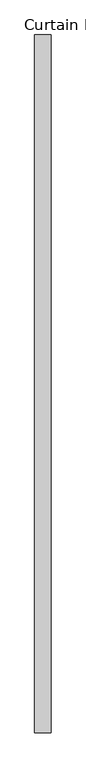
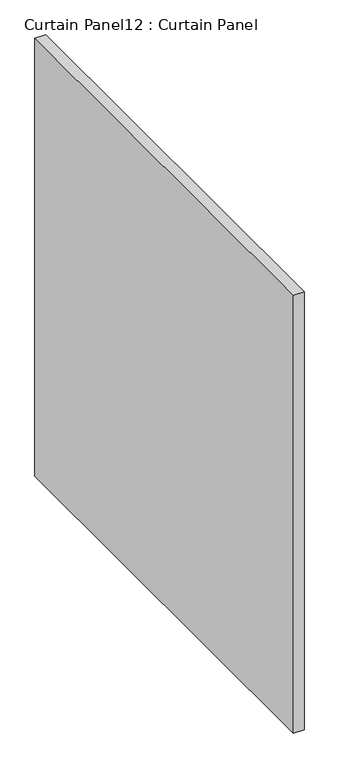
"""IFC4 building model written with IfcOpenShell, lengths in millimetres: plate geometry, Curtain Panel12 : Curtain Panel."""

import ifcopenshell
import ifcopenshell.guid

model = None  # the IFC model being written
_history = None  # IfcOwnerHistory: only IFC2X3 demands one
_inside = {}  # id of a spatial element -> (the spatial element, [elements in it])
_under = {}  # id of a project, library or spatial element -> (it, [spatial elements below it])
_declared = {}  # id of a project -> (the project, [libraries it declares])
_typed = {}  # id of a type object -> (the type object, [elements of that type])
_made_of = {}  # id of a material, layer set ... -> (it, [elements and type objects made of it])


def new_model(schema):
    """Start an empty IFC model of exactly this schema.

    Asked for "IFC4X3", IfcOpenShell would pick the latest addendum, in which some entities
    have other attributes; the version numbers below select the first issue.
    IFC2X3 requires an IfcOwnerHistory on every rooted entity: one is made here for all.
    """
    global model, _history
    if schema == "IFC4X3":
        model = ifcopenshell.file(schema_version=(4, 3, 0, 0))
    else:
        model = ifcopenshell.file(schema=schema)
    _inside.clear()
    _under.clear()
    _declared.clear()
    _typed.clear()
    _made_of.clear()
    _history = None
    if model.schema == "IFC2X3":
        org = make("IfcOrganization", Name="unknown")
        user = make(
            "IfcPersonAndOrganization",
            ThePerson=make("IfcPerson", FamilyName="unknown"),
            TheOrganization=org,
        )
        app = make(
            "IfcApplication",
            ApplicationDeveloper=org,
            Version="unknown",
            ApplicationFullName="unknown",
            ApplicationIdentifier="unknown",
        )
        _history = make(
            "IfcOwnerHistory",
            OwningUser=user,
            OwningApplication=app,
            ChangeAction="ADDED",
            CreationDate=0,
        )
    return model


def make(cls, **values):
    """One entity of the class cls with the attributes given. An attribute that is None is left unset."""
    return model.create_entity(
        cls, **{name: value for name, value in values.items() if value is not None}
    )


def rooted(cls, **values):
    """An entity with a GlobalId (a new one), such as an element, a storey or a relation."""
    return make(cls, GlobalId=ifcopenshell.guid.new(), OwnerHistory=_history, **values)


def si_unit(unit_type, name, prefix=None):
    """IfcSIUnit, for example si_unit("LENGTHUNIT", "METRE", prefix="MILLI")."""
    return make("IfcSIUnit", UnitType=unit_type, Prefix=prefix, Name=name)


def assignment(units):
    """IfcUnitAssignment: the units of a project."""
    return None if units is None else make("IfcUnitAssignment", Units=units)


def point(xyz):
    """IfcCartesianPoint."""
    return None if xyz is None else make("IfcCartesianPoint", Coordinates=xyz)


def direction(xyz):
    """IfcDirection."""
    return None if xyz is None else make("IfcDirection", DirectionRatios=xyz)


def frame(location, z_axis=None, x_axis=None):
    """IfcAxis2Placement3D, a coordinate frame: its origin and axes. An axis left out is left unset."""
    return make(
        "IfcAxis2Placement3D",
        Location=point(location),
        Axis=direction(z_axis),
        RefDirection=direction(x_axis),
    )


def origin():
    """The frame at (0, 0, 0) with its axes left unset."""
    return frame((0.0, 0.0, 0.0))


def place(relative_to, where):
    """IfcLocalPlacement: puts the frame where relative to a parent placement (None: the world)."""
    return make(
        "IfcLocalPlacement", PlacementRelTo=relative_to, RelativePlacement=where
    )


def context(
    kind, dimensions, precision=None, world=None, true_north=None, identifier=None
):
    """IfcGeometricRepresentationContext, for example the 3D "Model" context."""
    return make(
        "IfcGeometricRepresentationContext",
        ContextIdentifier=identifier,
        ContextType=kind,
        CoordinateSpaceDimension=dimensions,
        Precision=precision,
        WorldCoordinateSystem=world,
        TrueNorth=true_north,
    )


def project(units=None, contexts=None):
    """IfcProject with its units and contexts."""
    return rooted(
        "IfcProject",
        Name="project",
        RepresentationContexts=contexts,
        UnitsInContext=assignment(units),
    )


def spatial(cls, under=None, at=None, **own):
    """A site, building, storey or space (cls), placed at a placement, below another one or the project."""
    s = rooted(cls, ObjectPlacement=at, **own)
    if under is not None:
        _under.setdefault(under.id(), (under, []))[1].append(s)
    return s


def polyline(points):
    """IfcPolyline through the points."""
    return make("IfcPolyline", Points=[point(p) for p in points])


def outline(outer, holes=None, kind="AREA"):
    """IfcArbitraryClosedProfileDef: a profile drawn as a closed curve; with holes, ...WithVoids."""
    if holes is None:
        return make("IfcArbitraryClosedProfileDef", ProfileType=kind, OuterCurve=outer)
    return make(
        "IfcArbitraryProfileDefWithVoids",
        ProfileType=kind,
        OuterCurve=outer,
        InnerCurves=holes,
    )


def extrude(swept, where, along, depth):
    """IfcExtrudedAreaSolid: the profile swept, set in the frame where, extruded along a direction by depth."""
    return make(
        "IfcExtrudedAreaSolid",
        SweptArea=swept,
        Position=where,
        ExtrudedDirection=direction(along),
        Depth=depth,
    )


def shape(context_of_items, identifier, shape_type, items):
    """IfcShapeRepresentation: the items that make up one representation, for example the "Body"."""
    return make(
        "IfcShapeRepresentation",
        ContextOfItems=context_of_items,
        RepresentationIdentifier=identifier,
        RepresentationType=shape_type,
        Items=items,
    )


def source(mapping_origin, context_of_items, identifier, shape_type, items):
    """IfcRepresentationMap: a shape defined once, which mapped items show again and again."""
    return make(
        "IfcRepresentationMap",
        MappingOrigin=mapping_origin,
        MappedRepresentation=shape(context_of_items, identifier, shape_type, items),
    )


def transform(
    local_origin,
    x_axis=None,
    y_axis=None,
    z_axis=None,
    scale=None,
    scale2=None,
    scale3=None,
    uniform=True,
):
    """IfcCartesianTransformationOperator3D, or its non-uniform kind. x_axis, y_axis, z_axis: its Axis1, 2, 3."""
    if uniform:
        return make(
            "IfcCartesianTransformationOperator3D",
            Axis1=direction(x_axis),
            Axis2=direction(y_axis),
            LocalOrigin=point(local_origin),
            Scale=scale,
            Axis3=direction(z_axis),
        )
    return make(
        "IfcCartesianTransformationOperator3DnonUniform",
        Axis1=direction(x_axis),
        Axis2=direction(y_axis),
        LocalOrigin=point(local_origin),
        Scale=scale,
        Axis3=direction(z_axis),
        Scale2=scale2,
        Scale3=scale3,
    )


def mapped(mapping_source, mapping_target):
    """IfcMappedItem: shows the shape of a source again, moved by a transform."""
    return make(
        "IfcMappedItem", MappingSource=mapping_source, MappingTarget=mapping_target
    )


def made_of(thing, what):
    """Note that an element or type object is made of a material, layer set ...; save() writes the relation."""
    if what is not None:
        _made_of.setdefault(what.id(), (what, []))[1].append(thing)
    return thing


def element(
    cls,
    number,
    at=None,
    inside=None,
    cuts=None,
    type_object=None,
    material=None,
    context=None,
    identifier="Body",
    shape_type=None,
    held_by="IfcProductDefinitionShape",
    body=None,
    shapes=None,
    **own,
):
    """One element of the class cls, such as IfcWall. Its Tag is "e" and its number.

    at: its placement. inside: the storey or other place that contains it. cuts: it is an
    opening in that element (IfcRelVoidsElement). A single representation is given by context,
    identifier, shape_type and body (its items); several are given by shapes. held_by: the class
    of the entity that holds the representations. save() writes the other relations.
    """
    e = rooted(cls, Tag="e%d" % number, ObjectPlacement=at, **own)
    if body is not None:
        shapes = [shape(context, identifier, shape_type, body)]
    if shapes is not None:
        e.Representation = make(held_by, Representations=shapes)
    if inside is not None:
        _inside.setdefault(inside.id(), (inside, []))[1].append(e)
    if cuts is not None:
        rooted(
            "IfcRelVoidsElement", RelatingBuildingElement=cuts, RelatedOpeningElement=e
        )
    if type_object is not None:
        _typed.setdefault(type_object.id(), (type_object, []))[1].append(e)
    return made_of(e, material)


def aggregate(whole, parts):
    """IfcRelAggregates: a whole, such as a stair, and the parts it consists of."""
    return rooted("IfcRelAggregates", RelatingObject=whole, RelatedObjects=parts)


def save(model, path):
    """Write the relations noted so far, then the file.

    IfcRelAggregates (storeys below a building ...), IfcRelContainedInSpatialStructure (elements
    in a storey), IfcRelDefinesByType, IfcRelAssociatesMaterial and IfcRelDeclares: one each for
    every whole, place, type object, material and project.
    """
    for whole, parts in _under.values():
        aggregate(whole, parts)
    for where, things in _inside.values():
        rooted(
            "IfcRelContainedInSpatialStructure",
            RelatedElements=things,
            RelatingStructure=where,
        )
    for kind, things in _typed.values():
        rooted("IfcRelDefinesByType", RelatedObjects=things, RelatingType=kind)
    for what, things in _made_of.values():
        rooted("IfcRelAssociatesMaterial", RelatedObjects=things, RelatingMaterial=what)
    for by, libraries in _declared.values():
        rooted("IfcRelDeclares", RelatingContext=by, RelatedDefinitions=libraries)
    model.write(path)


def curtain_panel12_curtain_panel_2b59abae(model_context):
    return source(origin(), model_context, "Body", "SweptSolid", [
        extrude(outline(polyline([(-290876.6259027, 732.7785239), (-290876.6259027, -336.0058511), (-290902.0259027, -336.0058511), (-290902.0259027, 732.7785239), (-290876.6259027, 732.7785239)])), frame((0.0, 0.0, -1198.5624347), z_axis=(0.0, 0.0, 1.0), x_axis=(1.0, 0.0, 0.0)), (0.0, 0.0, 1.0), 1104.899935),
    ])


if __name__ == "__main__":
    model = new_model("IFC4")
    model_context = context("Model", 3, world=origin())
    ifc_project = project(units=[si_unit("LENGTHUNIT", "METRE", prefix="MILLI")], contexts=[model_context])
    site = spatial("IfcSite", under=ifc_project)
    building = spatial("IfcBuilding", under=site)
    placement = place(None, origin())
    curtain_panel12_curtain_panel_shape = curtain_panel12_curtain_panel_2b59abae(model_context)
    element("IfcPlate", 1, ObjectType="Curtain Panel12 : Curtain Panel", at=placement, inside=building, context=model_context, shape_type="MappedRepresentation", body=[
        mapped(curtain_panel12_curtain_panel_shape, transform((0.0, 0.0, 0.0), x_axis=(1.0, 0.0, 0.0), y_axis=(0.0, 1.0, 0.0), z_axis=(0.0, 0.0, 1.0))),
    ])
    save(model, "model.ifc")
